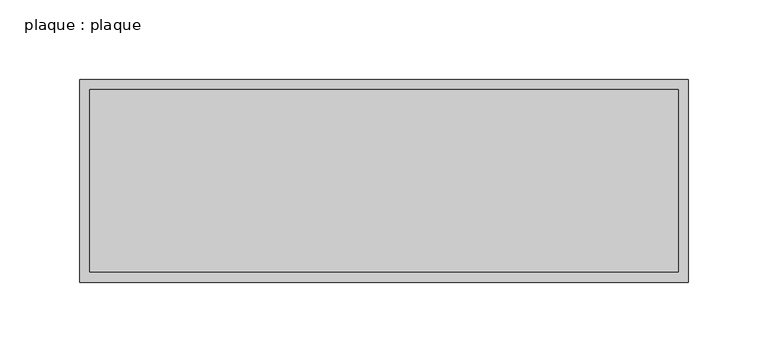
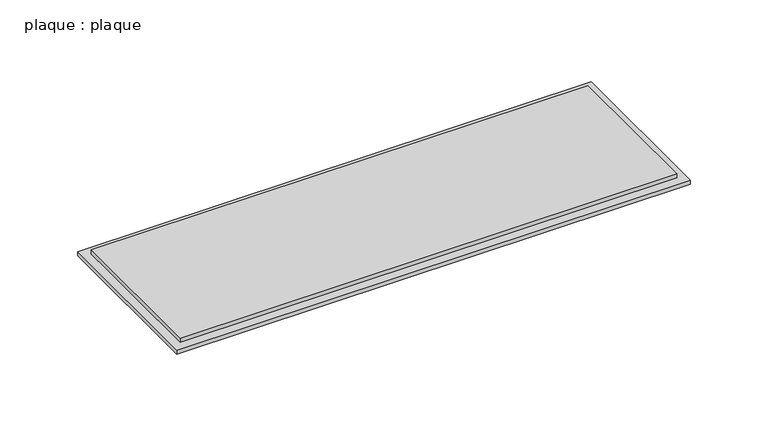
"""IFC4 building model written with IfcOpenShell, lengths in millimetres: proxy geometry, plaque : plaque."""

from ifc_helpers import new_model, si_unit, frame, origin, place, context, project, spatial, polyline, outline, extrude, source, transform, mapped, element, save


def plaque_plaque_fe1e4004(model_context):
    return source(origin(), model_context, "Body", "SweptSolid", [
        extrude(outline(polyline([(331.161279, -214.5998646), (331.161279, -328.8998646), (-37.138721, -328.8998646), (-37.138721, -214.5998646), (331.161279, -214.5998646)])), frame((0.0, 0.0, 6.35), z_axis=(0.0, 0.0, 1.0), x_axis=(1.0, 0.0, 0.0)), (0.0, 0.0, 1.0), 3.175),
        extrude(outline(polyline([(337.511279, -208.2498646), (337.511279, -335.2498646), (-43.488721, -335.2498646), (-43.488721, -208.2498646), (337.511279, -208.2498646)])), frame((0.0, 0.0, 3.175), z_axis=(0.0, 0.0, 1.0), x_axis=(1.0, 0.0, 0.0)), (0.0, 0.0, 1.0), 3.175),
    ])


if __name__ == "__main__":
    model = new_model("IFC4")
    model_context = context("Model", 3, world=origin())
    ifc_project = project(units=[si_unit("LENGTHUNIT", "METRE", prefix="MILLI")], contexts=[model_context])
    site = spatial("IfcSite", under=ifc_project)
    building = spatial("IfcBuilding", under=site)
    placement = place(None, origin())
    plaque_plaque_shape = plaque_plaque_fe1e4004(model_context)
    element("IfcBuildingElementProxy", 1, Name="plaque : plaque", ObjectType="plaque : plaque", at=placement, inside=building, context=model_context, shape_type="MappedRepresentation", body=[
        mapped(plaque_plaque_shape, transform((0.0, 0.0, 0.0), x_axis=(1.0, 0.0, 0.0), y_axis=(0.0, 1.0, 0.0), z_axis=(0.0, 0.0, 1.0))),
    ])
    save(model, "model.ifc")
